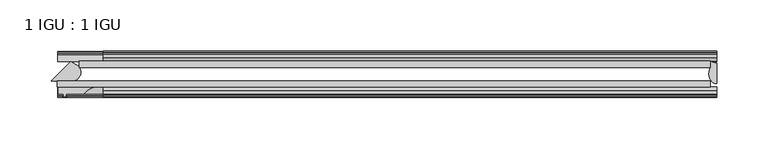
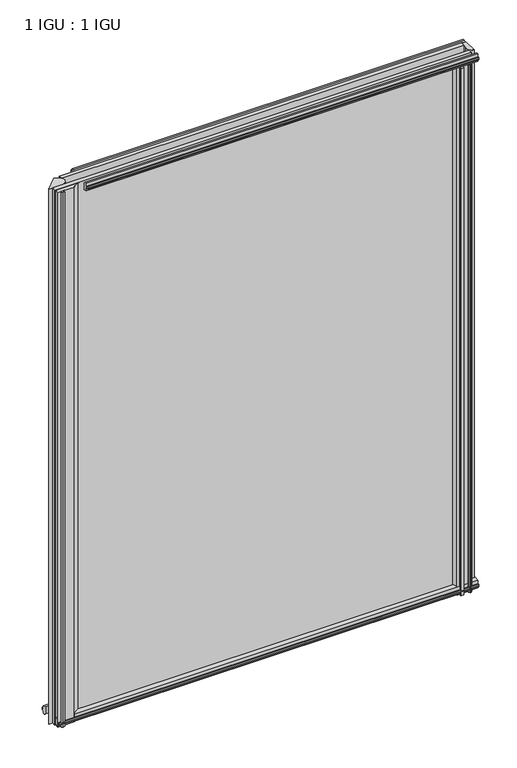
"""IFC4 building model written with IfcOpenShell, lengths in millimetres: plate geometry, 1 IGU : 1 IGU."""

from ifc_helpers import new_model, si_unit, point, frame, frame_2d, origin, place, context, project, spatial, polyline, circle_curve, ellipse_curve, trimmed, segment, composite_curve, outline, extrude, source, transform, mapped, element, save
from ifc_brep_helpers import plane_surface, cylinder_surface, revolved_surface, extruded_surface, advanced_brep


def plate_1_igu_1_igu_2f14a663(model_context):
    return source(origin(), model_context, "Body", "SolidModel", [
        extrude(outline(polyline([(-321.2703126, -38.6468937), (314.3250001, -38.6468937), (314.3250001, -44.9460938), (-321.2703126, -44.9460938), (-321.2703126, -38.6468937)])), frame((0.0, 0.0, -12.7), z_axis=(0.0, 0.0, 1.0), x_axis=(1.0, 0.0, 0.0)), (0.0, 0.0, 1.0), 863.5872996),
        extrude(outline(polyline([(-299.9382813, -19.5460937), (314.3250001, -19.5460937), (314.3250001, -25.8960938), (-299.9382813, -25.8960938), (-299.9382813, -19.5460937)])), frame((0.0, 0.0, -12.7), z_axis=(0.0, 0.0, 1.0), x_axis=(1.0, 0.0, 0.0)), (0.0, 0.0, 1.0), 863.5872996),
        extrude(outline(composite_curve([segment(trimmed(circle_curve(frame_2d((-306.7623355, -30.324123)), 8.3601973), [point((-300.5949227, -24.6800183))], [point((-305.9721542, -38.6468937))], False, "CARTESIAN"), True, "CONTINUOUS"), segment(polyline([(-305.9721542, -38.6468937), (-327.0758001, -38.6468937), (-308.346803, -19.9178967), (-303.5442302, -22.8189613)]), True, "CONTINUOUS"), segment(trimmed(circle_curve(frame_2d((-305.8354262, -29.7174148)), 7.2689917), [point((-303.5442302, -22.8189613))], [point((-300.5949227, -24.6800183))], False, "CARTESIAN"), True, "CONTINUOUS")], self_intersect=False)), frame((0.0, 0.0, -12.7), z_axis=(0.0, 0.0, 1.0), x_axis=(1.0, 0.0, 0.0)), (0.0, 0.0, 1.0), 863.5872996),
        advanced_brep(
        [(320.6750001, -21.1709383, -12.4587), (320.6750001, -41.5384061, -12.4587), (313.1526629, -32.2460938, -12.4587), (314.3250001, -25.8452938, -12.4587), (314.3250001, -19.5460938, -12.4587), (320.6750001, -21.1709383, 850.8872996), (314.3250001, -19.5460938, 850.8872996), (314.3250001, -25.8452938, 850.8872996), (313.1526629, -32.2460938, 850.8872996), (320.6750001, -41.5384061, 850.8872996)],
        [
            (0, 1),
            (1, 2, ellipse_curve(frame((320.6750001, -32.2460938, -12.4587), z_axis=(0.0, 0.0, -1.0), x_axis=(0.0, -1.0, 0.0)), 9.2923124, 7.5223371)),
            (2, 3, circle_curve(frame((331.2125764, -32.2460938, -12.4587), z_axis=(0.0, 0.0, -1.0), x_axis=(1.0, 0.0, 0.0)), 18.0599135)),
            (3, 4),
            (4, 0, circle_curve(frame((320.6750001, -7.950406, -12.4587), z_axis=(0.0, 0.0, 1.0), x_axis=(1.0, 0.0, 0.0)), 13.2205323)),
            (5, 6, circle_curve(frame((320.6750001, -7.950406, 850.8872996), z_axis=(0.0, 0.0, -1.0), x_axis=(1.0, 0.0, 0.0)), 13.2205323)),
            (6, 7),
            (7, 8, circle_curve(frame((331.2125764, -32.2460938, 850.8872996), z_axis=(0.0, 0.0, 1.0), x_axis=(1.0, 0.0, 0.0)), 18.0599135)),
            (8, 9, ellipse_curve(frame((320.6750001, -32.2460938, 850.8872996), z_axis=(0.0, 0.0, 1.0), x_axis=(0.0, -1.0, 0.0)), 9.2923124, 7.5223371)),
            (9, 5),
            (1, 9),
            (8, 2),
            (7, 3),
            (6, 4),
            (5, 0),
        ],
        [
            plane_surface(frame((320.6750001, -13.1960938, -12.4587), z_axis=(0.0, 0.0, -1.0), x_axis=(0.0, 1.0, 0.0))),
            plane_surface(frame((320.6750001, -13.1960938, 850.8872996), z_axis=(0.0, 0.0, 1.0), x_axis=(0.0, 1.0, 0.0))),
            extruded_surface(trimmed(ellipse_curve(frame((320.6750001, -32.2460938, 850.8872996), z_axis=(0.0, 0.0, -1.0), x_axis=(0.0, -1.0, 0.0)), 9.2923124, 7.5223371), [point((320.6750001, -41.5384061, 850.8872996))], [point((313.1526629, -32.2460938, 850.8872996))], True, "CARTESIAN"), (0.0, 0.0, -863.3459996), 863.3459996),
            cylinder_surface(frame((331.2125764, -32.2460938, -12.4587), z_axis=(0.0, 0.0, -1.0), x_axis=(1.0, 0.0, 0.0)), 18.0599135),
            plane_surface(frame((314.3250001, -25.8452938, -12.4587), z_axis=(-1.0, 0.0, 0.0), x_axis=(0.0, 0.0, 1.0))),
            revolved_surface(polyline([(333.8955324, -7.950406, 850.8872996), (333.8955324, -7.950406, -12.4587)]), (320.6750001, -7.950406, -12.4587), (0.0, 0.0, 1.0)),
            plane_surface(frame((320.6750001, -21.1709383, -12.4587), z_axis=(1.0, 0.0, 0.0), x_axis=(0.0, 0.0, 1.0))),
        ],
        [
            (0, [[1, 2, 3, 4, 5]]),
            (1, [[6, 7, 8, 9, 10]]),
            (2, [[-2, 11, -9, 12]]),
            (3, [[-3, -12, -8, 13]]),
            (4, [[-4, -13, -7, 14]]),
            (5, [[-5, -14, -6, 15]]),
            (6, [[-1, -15, -10, -11]]),
        ],
    ),
        extrude(outline(composite_curve([segment(polyline([(-320.3656598, -44.9460937), (-285.0054922, -44.9460937)]), True, "CONTINUOUS"), segment(trimmed(circle_curve(frame_2d((-281.8166561, -61.7346627)), 17.0887309), [point((-285.0054922, -44.9460937))], [point((-295.3466598, -51.2960937))], True, "CARTESIAN"), True, "CONTINUOUS"), segment(polyline([(-295.3466598, -51.2960937), (-312.7456598, -51.2960937), (-313.0631598, -53.4006957), (-311.844554, -53.0741712), (-311.6407598, -53.8347412), (-314.0156598, -54.4710937), (-316.3905598, -53.8347412), (-316.1867657, -53.0741712), (-314.9681598, -53.4006957), (-315.2856598, -51.2960937), (-320.3656598, -51.2960937), (-320.3656598, -44.9460937)]), True, "CONTINUOUS")], self_intersect=False)), frame((0.0, 0.0, -12.4587), z_axis=(0.0, 0.0, 1.0), x_axis=(1.0, 0.0, 0.0)), (0.0, 0.0, 1.0), 863.1046998),
        extrude(outline(polyline([(-44.9460937, 1.7177181), (-44.9460937, -9.1036578), (-48.3496937, -11.938), (-51.2960937, -11.938), (-51.2960937, -7.493), (-53.6762907, -7.112), (-53.2163575, -8.5275291), (-54.0175717, -8.5275291), (-54.7250937, -6.35), (-54.0175717, -4.1724709), (-53.2163575, -4.1724709), (-53.6762907, -5.588), (-51.2960937, -5.207), (-51.2960937, 0.0), (-44.9460937, 1.7177181)])), frame((-320.6750001, 0.0, 0.0), z_axis=(1.0, 0.0, 0.0), x_axis=(0.0, 1.0, 0.0)), (0.0, 0.0, 1.0), 641.3500002),
        extrude(outline(polyline([(-13.1960937, -12.4587), (-16.1424937, -12.4587), (-19.5460937, -9.6243578), (-19.5460937, 1.1970181), (-13.1960937, -0.5207), (-13.1960937, -5.7277), (-10.8158968, -6.1087), (-11.27583, -4.6931709), (-10.4746158, -4.6931709), (-9.7670937, -6.8707), (-10.4746158, -9.0482291), (-11.27583, -9.0482291), (-10.8158968, -7.6327), (-13.1960937, -8.0137), (-13.1960937, -12.4587)])), frame((-320.6750001, 0.0, 0.0), z_axis=(1.0, 0.0, 0.0), x_axis=(0.0, 1.0, 0.0)), (0.0, 0.0, 1.0), 641.3500002),
        extrude(outline(polyline([(-51.2960937, 850.1252996), (-48.3496937, 850.1252996), (-44.9460937, 847.2909574), (-44.9460937, 836.4695815), (-51.2960937, 838.1872996), (-51.2960937, 843.3942996), (-53.6762907, 843.7752996), (-53.2163575, 842.3597706), (-54.0175717, 842.3597706), (-54.7250937, 844.5372996), (-54.0175717, 846.7148287), (-53.2163575, 846.7148287), (-53.6762907, 845.2992996), (-51.2960937, 845.6802996), (-51.2960937, 850.1252996)])), frame((-276.7210938, 0.0, 0.0), z_axis=(1.0, 0.0, 0.0), x_axis=(0.0, 1.0, 0.0)), (0.0, 0.0, 1.0), 597.3960939),
        extrude(outline(polyline([(-19.5460937, 836.9902815), (-19.5460937, 847.8116574), (-16.1424937, 850.6459996), (-13.1960937, 850.6459996), (-13.1960937, 846.2009996), (-10.8158968, 845.8199996), (-11.27583, 847.2355287), (-10.4746158, 847.2355287), (-9.7670937, 845.0579996), (-10.4746158, 842.8804706), (-11.27583, 842.8804706), (-10.8158968, 844.2959996), (-13.1960937, 843.9149996), (-13.1960937, 838.7079996), (-19.5460937, 836.9902815)])), frame((-276.7210938, 0.0, 0.0), z_axis=(1.0, 0.0, 0.0), x_axis=(0.0, 1.0, 0.0)), (0.0, 0.0, 1.0), 597.3960939),
        extrude(outline(composite_curve([segment(polyline([(311.1500002, -44.9460938), (311.1500002, -51.2960938), (309.4990002, -51.2960938), (309.4990002, -52.9470938), (310.576631, -52.9470938)]), True, "CONTINUOUS"), segment(trimmed(circle_curve(frame_2d((309.4990002, -52.9470938)), 1.0776307), [point((310.576631, -52.9470938))], [point((310.2610002, -53.7090938))], False, "CARTESIAN"), True, "CONTINUOUS"), segment(polyline([(310.2610002, -53.7090938), (308.5217078, -54.8194621)]), True, "CONTINUOUS"), segment(trimmed(circle_curve(frame_2d((307.9750002, -53.9630938)), 1.016), [point((308.5217078, -54.8194621))], [point((307.4282926, -54.8194621))], False, "CARTESIAN"), True, "CONTINUOUS"), segment(polyline([(307.4282926, -54.8194621), (305.6890002, -53.7090938)]), True, "CONTINUOUS"), segment(trimmed(circle_curve(frame_2d((306.4510002, -52.9470938)), 1.0776307), [point((305.6890002, -53.7090938))], [point((305.3733695, -52.9470938))], False, "CARTESIAN"), True, "CONTINUOUS"), segment(polyline([(305.3733695, -52.9470938), (306.4510002, -52.9470938), (306.4510002, -51.2960938), (297.3832002, -51.2960938)]), True, "CONTINUOUS"), segment(trimmed(circle_curve(frame_2d((297.3832002, -51.7532938)), 0.4572), [point((297.3832002, -51.2960938))], [point((297.0443824, -52.0602698))], True, "CARTESIAN"), True, "CONTINUOUS"), segment(trimmed(circle_curve(frame_2d((295.2750002, -53.663367)), 2.3876), [point((297.0443824, -52.0602698))], [point((297.3456432, -54.8520938))], False, "CARTESIAN"), True, "CONTINUOUS"), segment(polyline([(297.3456432, -54.8520938), (293.2043572, -54.8520938)]), True, "CONTINUOUS"), segment(trimmed(circle_curve(frame_2d((295.2750002, -53.663367)), 2.3876), [point((293.2043572, -54.8520938))], [point((293.5056181, -52.0602698))], False, "CARTESIAN"), True, "CONTINUOUS"), segment(trimmed(circle_curve(frame_2d((293.1668002, -51.7532938)), 0.4572), [point((293.5056181, -52.0602698))], [point((293.1668002, -51.2960938))], True, "CARTESIAN"), True, "CONTINUOUS"), segment(polyline([(293.1668002, -51.2960938), (288.9250002, -51.2960938)]), True, "CONTINUOUS"), segment(trimmed(circle_curve(frame_2d((279.9090688, -51.9750196)), 9.0414579), [point((288.9250002, -51.2960938))], [point((285.5960857, -44.9460938))], True, "CARTESIAN"), True, "CONTINUOUS"), segment(polyline([(285.5960857, -44.9460938), (311.1500002, -44.9460938)]), True, "CONTINUOUS")], self_intersect=False)), frame((0.0, 0.0, -12.7), z_axis=(0.0, 0.0, 1.0), x_axis=(1.0, 0.0, 0.0)), (0.0, 0.0, 1.0), 850.8872996),
    ])


if __name__ == "__main__":
    model = new_model("IFC4")
    model_context = context("Model", 3, world=origin())
    ifc_project = project(units=[si_unit("LENGTHUNIT", "METRE", prefix="MILLI")], contexts=[model_context])
    site = spatial("IfcSite", under=ifc_project)
    building = spatial("IfcBuilding", under=site)
    placement = place(None, origin())
    plate_1_igu_1_igu_shape = plate_1_igu_1_igu_2f14a663(model_context)
    element("IfcPlate", 1, ObjectType="1 IGU : 1 IGU", at=placement, inside=building, context=model_context, shape_type="MappedRepresentation", body=[
        mapped(plate_1_igu_1_igu_shape, transform((0.0, 0.0, 0.0), x_axis=(1.0, 0.0, 0.0), y_axis=(0.0, 1.0, 0.0), z_axis=(0.0, 0.0, 1.0))),
    ])
    save(model, "model.ifc")
